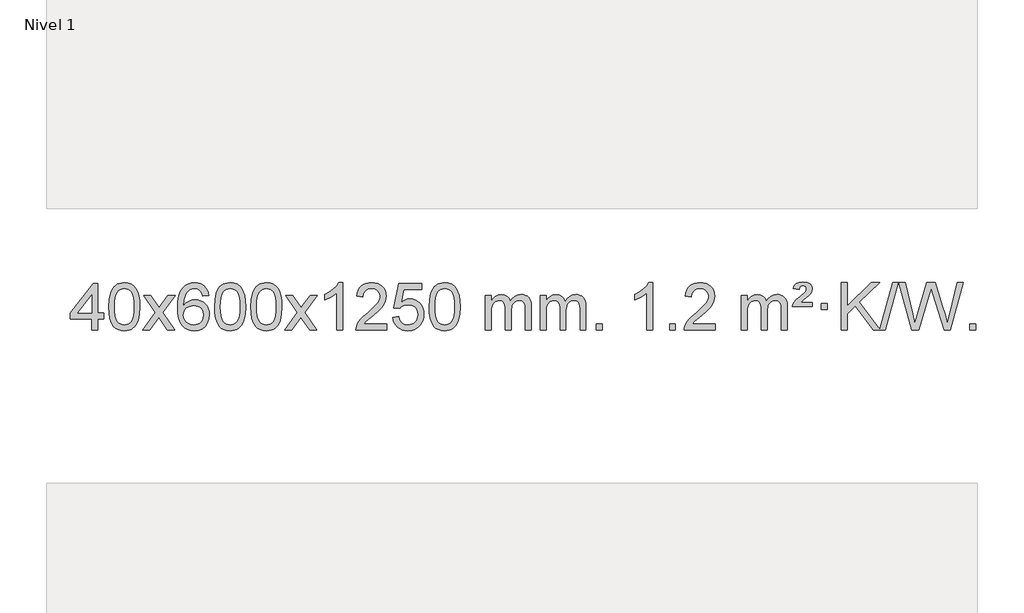
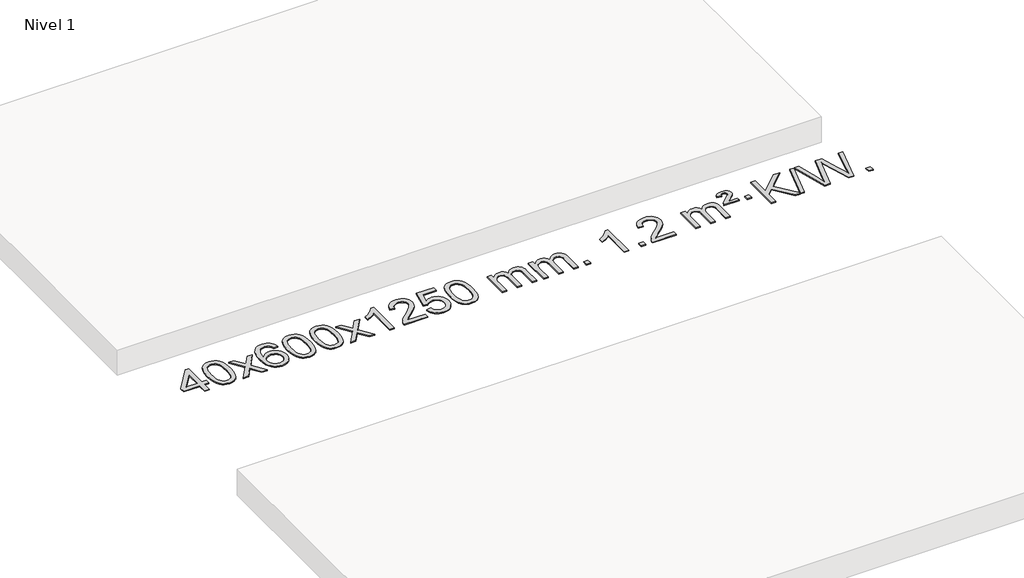
# One storey, part 3 of 3: 1 proxy.
"""IFC4 building model written with IfcOpenShell, lengths in millimetres."""

from ifc_helpers import new_model, si_unit, origin, origin_with_axes, place, context, project, spatial, polyline, outline, extrude, element, save

model = new_model("IFC4")

# Units and contexts
model_context = context("Model", 3, world=origin())
ifc_project = project(units=[si_unit("LENGTHUNIT", "METRE", prefix="MILLI")], contexts=[model_context])

# Site, building, storey
site = spatial("IfcSite", under=ifc_project)
building = spatial("IfcBuilding", under=site)
storey = spatial("IfcBuildingStorey", under=building, Name="Nivel 1", Elevation=0.0)

# Proxy
placement = place(None, origin())
element("IfcBuildingElementProxy", 1, Name="Texto de modelo 1", ObjectType="Texto de modelo 1", at=placement, inside=storey, context=model_context, shape_type="SweptSolid", body=[
    extrude(outline(polyline([(-19275.0912437, -6252.910521), (-19275.0912437, -6158.7327302), (-19457.1683058, -6158.7327302), (-19457.1683058, -6108.5045751), (-19262.5342049, -5857.3637998), (-19224.8630886, -5857.3637998), (-19224.8630886, -6108.5045751), (-19174.6349336, -6108.5045751), (-19174.6349336, -6158.7327302), (-19224.8630886, -6158.7327302), (-19224.8630886, -6252.910521), (-19275.0912437, -6252.910521)]), holes=[polyline([(-19275.0912437, -6108.5045751), (-19275.0912437, -5953.3074241), (-19395.3641307, -6108.5045751), (-19275.0912437, -6108.5045751)])]), origin_with_axes(), (0.0, 0.0, 1.0), 10.0),
    extrude(outline(polyline([(-19130.6852979, -6055.2352622), (-19126.9942152, -5990.9172267), (-19115.9209671, -5939.6222139), (-19097.5759183, -5900.5654087), (-19085.7178553, -5885.3320284), (-19072.0694333, -5872.9619963), (-19056.584667, -5863.3909331), (-19039.2175711, -5856.5544594), (-18998.8363908, -5851.0852804), (-18967.8852523, -5854.3226419), (-18940.1714753, -5864.0347266), (-18916.9949096, -5879.8413897), (-18899.6554049, -5901.3624864), (-18886.5588059, -5928.4140758), (-18876.1109572, -5960.8122168), (-18869.2683521, -6001.9536866), (-18866.9874837, -6055.2352622), (-18870.6417782, -6119.1854157), (-18881.6046617, -6170.3578012), (-18899.8393459, -6209.4513946), (-18911.6698177, -6224.7307601), (-18925.3090427, -6237.1651716), (-18940.8122031, -6246.8006142), (-18958.2344813, -6253.6830732), (-18998.8363908, -6259.1890403), (-19026.5011168, -6256.7978074), (-19051.0265832, -6249.6241085), (-19072.4127898, -6237.6679436), (-19090.6597368, -6220.9293129), (-19108.1709198, -6190.6710187), (-19120.6789076, -6152.9692456), (-19128.1837003, -6107.8239934), (-19130.6852979, -6055.2352622)]), holes=[polyline([(-19080.4571428, -6055.1371604), (-19078.9856148, -6098.8016875), (-19074.5710309, -6134.1459502), (-19067.213391, -6161.1699484), (-19056.9126951, -6179.8736822), (-19044.4537582, -6192.5993335), (-19030.6213952, -6201.6890845), (-19015.415606, -6207.1429351), (-18998.8363908, -6208.9608853), (-18982.2571755, -6207.1368037), (-18967.0513864, -6201.664559), (-18953.2190234, -6192.5441512), (-18940.7600865, -6179.7755803), (-18930.4593906, -6161.0411897), (-18923.1017507, -6134.0233229), (-18918.6871668, -6098.7219797), (-18917.2156388, -6055.1371604), (-18918.6381158, -6012.6283958), (-18922.905547, -5977.9064668), (-18930.0179322, -5950.9713734), (-18939.9752716, -5931.8231156), (-18952.225742, -5918.4751305), (-18966.2175205, -5908.9408555), (-18981.9506072, -5903.2202904), (-18999.425002, -5901.3134354), (-19015.9183781, -5902.9934299), (-19030.8666498, -5908.0334132), (-19044.2698172, -5916.4333854), (-19056.1278802, -5928.1933466), (-19066.7719326, -5949.0399929), (-19074.3748271, -5977.1461774), (-19078.9365639, -6012.5118998), (-19080.4571428, -6055.1371604)])]), origin_with_axes(), (0.0, 0.0, 1.0), 10.0),
    extrude(outline(polyline([(-18841.8734062, -6252.910521), (-18734.5499655, -6104.5805005), (-18835.5948868, -5957.8201099), (-18775.1641377, -5957.8201099), (-18726.4075106, -6028.453453), (-18703.6478779, -6061.8080872), (-18683.9294029, -6034.5357686), (-18628.4037471, -5957.8201099), (-18567.972998, -5957.8201099), (-18674.1192164, -6104.5805005), (-18571.8970727, -6252.910521), (-18632.3278217, -6252.910521), (-18693.8376913, -6163.7359253), (-18705.1194058, -6147.4510157), (-18781.4426571, -6252.910521), (-18841.8734062, -6252.910521)])), origin_with_axes(), (0.0, 0.0, 1.0), 10.0),
    extrude(outline(polyline([(-18283.085181, -5957.8201099), (-18333.313336, -5964.0986293), (-18341.4067399, -5939.2052809), (-18352.3450979, -5922.2091328), (-18375.1292562, -5906.5373598), (-18402.6713549, -5901.3134354), (-18426.0195988, -5904.3545933), (-18447.9944167, -5913.4780667), (-18466.866763, -5932.6937696), (-18482.2810186, -5959.1444851), (-18492.6920791, -5996.558084), (-18496.55484, -6048.6624372), (-18476.4071694, -6025.1547778), (-18452.2618478, -6008.5878252), (-18425.4677758, -5998.765376), (-18397.3738541, -5995.4912262), (-18373.2407953, -5997.729175), (-18350.9716718, -6004.4430214), (-18330.5664838, -6015.6327654), (-18312.0252313, -6031.2984071), (-18296.617107, -6050.5079786), (-18285.611304, -6072.3295123), (-18279.0078222, -6096.7630081), (-18276.8066616, -6123.8084661), (-18280.9514654, -6159.7750625), (-18293.3858768, -6193.117434), (-18313.0798263, -6221.3952967), (-18339.0032442, -6242.1683667), (-18369.9789082, -6254.9338719), (-18404.8295959, -6259.1890403), (-18434.7721246, -6256.3686117), (-18461.814517, -6247.9073258), (-18485.9567729, -6233.8051827), (-18507.1988924, -6214.0621823), (-18524.5169374, -6187.8444588), (-18536.8869694, -6154.3181463), (-18544.3089887, -6113.4832448), (-18546.7829951, -6065.3397544), (-18544.0361429, -6011.3653343), (-18535.7955862, -5965.3003771), (-18522.061325, -5927.1448829), (-18502.8333594, -5896.8988515), (-18481.9928444, -5876.8554141), (-18457.8291287, -5862.5386731), (-18430.3422123, -5853.9486286), (-18399.5320952, -5851.0852804), (-18376.398449, -5852.8572453), (-18355.4598322, -5858.1731401), (-18336.7162445, -5867.0329649), (-18320.1676861, -5879.4367195), (-18306.2617467, -5894.967471), (-18295.446016, -5913.2082866), (-18287.7204941, -5934.1591662), (-18283.085181, -5957.8201099)]), holes=[polyline([(-18496.55484, -6123.0236512), (-18493.6485723, -6145.2805119), (-18484.929769, -6166.5318285), (-18471.3917116, -6184.8033009), (-18454.0276814, -6198.1206291), (-18433.0706704, -6206.2508212), (-18408.7536705, -6208.9608853), (-18375.6075028, -6203.3445535), (-18361.6923663, -6196.3241387), (-18349.5491948, -6186.4955581), (-18339.6991543, -6174.2573504), (-18332.6634112, -6160.0080544), (-18327.0348167, -6125.4761978), (-18332.5898348, -6092.3300301), (-18339.5336074, -6078.7091992), (-18349.2548892, -6067.056537), (-18361.4348489, -6057.7215314), (-18375.7546556, -6051.0536702), (-18410.8138097, -6045.7193813), (-18443.9109265, -6051.0536702), (-18471.5879153, -6067.056537), (-18482.5109449, -6078.555915), (-18490.3131089, -6091.7168934), (-18494.9944072, -6106.5394721), (-18496.55484, -6123.0236512)])]), origin_with_axes(), (0.0, 0.0, 1.0), 10.0),
    extrude(outline(polyline([(-18232.8570259, -6055.2352622), (-18229.1659432, -5990.9172267), (-18218.0926952, -5939.6222139), (-18199.7476463, -5900.5654087), (-18187.8895834, -5885.3320284), (-18174.2411613, -5872.9619963), (-18158.756395, -5863.3909331), (-18141.3892992, -5856.5544594), (-18101.0081188, -5851.0852804), (-18070.0569803, -5854.3226419), (-18042.3432033, -5864.0347266), (-18019.1666376, -5879.8413897), (-18001.8271329, -5901.3624864), (-17988.7305339, -5928.4140758), (-17978.2826852, -5960.8122168), (-17971.4400801, -6001.9536866), (-17969.1592118, -6055.2352622), (-17972.8135062, -6119.1854157), (-17983.7763897, -6170.3578012), (-18002.0110739, -6209.4513946), (-18013.8415458, -6224.7307601), (-18027.4807707, -6237.1651716), (-18042.9839311, -6246.8006142), (-18060.4062093, -6253.6830732), (-18101.0081188, -6259.1890403), (-18128.6728449, -6256.7978074), (-18153.1983112, -6249.6241085), (-18174.5845179, -6237.6679436), (-18192.8314648, -6220.9293129), (-18210.3426478, -6190.6710187), (-18222.8506356, -6152.9692456), (-18230.3554283, -6107.8239934), (-18232.8570259, -6055.2352622)]), holes=[polyline([(-18182.6288708, -6055.1371604), (-18181.1573428, -6098.8016875), (-18176.7427589, -6134.1459502), (-18169.385119, -6161.1699484), (-18159.0844231, -6179.8736822), (-18146.6254862, -6192.5993335), (-18132.7931232, -6201.6890845), (-18117.5873341, -6207.1429351), (-18101.0081188, -6208.9608853), (-18084.4289036, -6207.1368037), (-18069.2231144, -6201.664559), (-18055.3907514, -6192.5441512), (-18042.9318145, -6179.7755803), (-18032.6311187, -6161.0411897), (-18025.2734788, -6134.0233229), (-18020.8588948, -6098.7219797), (-18019.3873668, -6055.1371604), (-18020.8098439, -6012.6283958), (-18025.077275, -5977.9064668), (-18032.1896603, -5950.9713734), (-18042.1469996, -5931.8231156), (-18054.39747, -5918.4751305), (-18068.3892486, -5908.9408555), (-18084.1223352, -5903.2202904), (-18101.59673, -5901.3134354), (-18118.0901061, -5902.9934299), (-18133.0383779, -5908.0334132), (-18146.4415452, -5916.4333854), (-18158.2996082, -5928.1933466), (-18168.9436606, -5949.0399929), (-18176.5465552, -5977.1461774), (-18181.1082919, -6012.5118998), (-18182.6288708, -6055.1371604)])]), origin_with_axes(), (0.0, 0.0, 1.0), 10.0),
    extrude(outline(polyline([(-17925.2095761, -6055.2352622), (-17921.5184934, -5990.9172267), (-17910.4452453, -5939.6222139), (-17892.1001965, -5900.5654087), (-17880.2421335, -5885.3320284), (-17866.5937115, -5872.9619963), (-17851.1089452, -5863.3909331), (-17833.7418493, -5856.5544594), (-17793.360669, -5851.0852804), (-17762.4095305, -5854.3226419), (-17734.6957535, -5864.0347266), (-17711.5191878, -5879.8413897), (-17694.1796831, -5901.3624864), (-17681.0830841, -5928.4140758), (-17670.6352354, -5960.8122168), (-17663.7926303, -6001.9536866), (-17661.5117619, -6055.2352622), (-17665.1660564, -6119.1854157), (-17676.1289399, -6170.3578012), (-17694.3636241, -6209.4513946), (-17706.1940959, -6224.7307601), (-17719.8333209, -6237.1651716), (-17735.3364813, -6246.8006142), (-17752.7587595, -6253.6830732), (-17793.360669, -6259.1890403), (-17821.025395, -6256.7978074), (-17845.5508614, -6249.6241085), (-17866.937068, -6237.6679436), (-17885.184015, -6220.9293129), (-17902.695198, -6190.6710187), (-17915.2031858, -6152.9692456), (-17922.7079785, -6107.8239934), (-17925.2095761, -6055.2352622)]), holes=[polyline([(-17874.981421, -6055.1371604), (-17873.509893, -6098.8016875), (-17869.0953091, -6134.1459502), (-17861.7376692, -6161.1699484), (-17851.4369733, -6179.8736822), (-17838.9780364, -6192.5993335), (-17825.1456734, -6201.6890845), (-17809.9398842, -6207.1429351), (-17793.360669, -6208.9608853), (-17776.7814537, -6207.1368037), (-17761.5756646, -6201.664559), (-17747.7433016, -6192.5441512), (-17735.2843647, -6179.7755803), (-17724.9836688, -6161.0411897), (-17717.6260289, -6134.0233229), (-17713.211445, -6098.7219797), (-17711.739917, -6055.1371604), (-17713.162394, -6012.6283958), (-17717.4298252, -5977.9064668), (-17724.5422104, -5950.9713734), (-17734.4995498, -5931.8231156), (-17746.7500202, -5918.4751305), (-17760.7417988, -5908.9408555), (-17776.4748854, -5903.2202904), (-17793.9492802, -5901.3134354), (-17810.4426563, -5902.9934299), (-17825.390928, -5908.0334132), (-17838.7940954, -5916.4333854), (-17850.6521584, -5928.1933466), (-17861.2962108, -5949.0399929), (-17868.8991053, -5977.1461774), (-17873.4608421, -6012.5118998), (-17874.981421, -6055.1371604)])]), origin_with_axes(), (0.0, 0.0, 1.0), 10.0),
    extrude(outline(polyline([(-17636.3976844, -6252.910521), (-17529.0742437, -6104.5805005), (-17630.119165, -5957.8201099), (-17569.6884159, -5957.8201099), (-17520.9317888, -6028.453453), (-17498.1721561, -6061.8080872), (-17478.4536811, -6034.5357686), (-17422.9280253, -5957.8201099), (-17362.4972762, -5957.8201099), (-17468.6434946, -6104.5805005), (-17366.4213509, -6252.910521), (-17426.8520999, -6252.910521), (-17488.3619695, -6163.7359253), (-17499.643684, -6147.4510157), (-17575.9669353, -6252.910521), (-17636.3976844, -6252.910521)])), origin_with_axes(), (0.0, 0.0, 1.0), 10.0),
    extrude(outline(polyline([(-17146.6731724, -6252.910521), (-17196.9013275, -6252.910521), (-17196.9013275, -5939.7693667), (-17217.8706012, -5956.7287266), (-17244.4807322, -5973.6635612), (-17297.3576376, -5999.0228934), (-17297.3576376, -5951.5415905), (-17257.908425, -5930.0818075), (-17223.7321877, -5904.550797), (-17196.7909629, -5877.4011058), (-17179.046788, -5851.0852804), (-17146.6731724, -5851.0852804), (-17146.6731724, -6252.910521)])), origin_with_axes(), (0.0, 0.0, 1.0), 10.0),
    extrude(outline(polyline([(-16769.9620093, -6202.6823659), (-16769.9620093, -6252.910521), (-17033.6598235, -6252.910521), (-17032.5561775, -6235.2276597), (-17028.2642209, -6218.2805625), (-17015.8788604, -6191.2167104), (-16997.7545408, -6164.9621987), (-16971.5368172, -6137.4814136), (-16934.871245, -6106.7387415), (-16880.6699644, -6058.5952511), (-16848.1491961, -6023.0578504), (-16831.8888119, -5994.215902), (-16826.4686838, -5966.1587685), (-16831.5822435, -5941.0079027), (-16846.9229227, -5920.0999427), (-16870.5041586, -5906.0100622), (-16900.3393884, -5901.3134354), (-16931.6706717, -5905.8996976), (-16956.012197, -5919.6584843), (-16971.7207582, -5941.5106748), (-16977.153149, -5970.3771487), (-17027.3813041, -5964.0986293), (-17023.0617563, -5938.16908), (-17015.2044101, -5915.5136805), (-17003.8092653, -5896.1324307), (-16988.8763219, -5880.0253307), (-16970.7489366, -5867.3640587), (-16949.7704659, -5858.3202929), (-16925.9409096, -5852.8940335), (-16899.2602679, -5851.0852804), (-16872.3405029, -5853.0963686), (-16848.382188, -5859.1296333), (-16827.3853231, -5869.1850745), (-16809.3499083, -5883.2626922), (-16794.8645547, -5900.3201541), (-16784.5178736, -5919.3151277), (-16778.309865, -5940.2476133), (-16776.2405287, -5963.1176106), (-16778.4723462, -5987.1403049), (-16785.1677985, -6010.7460663), (-16797.0503869, -6034.7564978), (-16814.8436128, -6059.9932027), (-16843.2073146, -6090.1227381), (-16886.801331, -6128.8116613), (-16944.5833297, -6177.12683), (-16967.2448606, -6202.6823659), (-16769.9620093, -6202.6823659)])), origin_with_axes(), (0.0, 0.0, 1.0), 10.0),
    extrude(outline(polyline([(-16719.7338543, -6146.1756914), (-16669.5056992, -6139.897172), (-16660.2841238, -6170.0512329), (-16644.1954179, -6191.645906), (-16621.3131578, -6204.6321405), (-16591.7109199, -6208.9608853), (-16572.5810562, -6207.4556348), (-16555.7075354, -6202.9398833), (-16541.0903574, -6195.4136308), (-16528.7295224, -6184.8768773), (-16518.9009417, -6171.850789), (-16511.880527, -6156.856532), (-16506.2641952, -6120.963512), (-16511.5249077, -6087.1674194), (-16518.1007984, -6073.2492173), (-16527.3070453, -6061.3175779), (-16539.1743054, -6051.7465146), (-16553.7332353, -6044.9100409), (-16590.926105, -6039.4408619), (-16615.2921558, -6041.6236284), (-16635.0228935, -6048.1719279), (-16650.7805056, -6058.2028437), (-16663.2271798, -6070.8334588), (-16713.4553349, -6064.5549394), (-16669.5056992, -5857.3637998), (-16474.8715983, -5857.3637998), (-16474.8715983, -5907.5919548), (-16628.8915269, -5907.5919548), (-16650.3758354, -6018.250859), (-16632.6500546, -6005.5466674), (-16614.4950782, -5996.4722449), (-16595.9109061, -5991.0275913), (-16576.8975383, -5989.2127068), (-16552.4364513, -5991.4629184), (-16529.9680584, -5998.213553), (-16509.4923597, -6009.4646107), (-16491.0093551, -6025.2160914), (-16475.7085298, -6044.5053707), (-16464.7793689, -6066.3698239), (-16458.2218723, -6090.8094512), (-16456.0360401, -6117.8242523), (-16458.0042088, -6143.8457721), (-16463.9087148, -6168.0524074), (-16473.7495582, -6190.4441582), (-16487.5267389, -6211.0210244), (-16508.3979108, -6232.0945314), (-16532.7516989, -6247.1470364), (-16560.5881032, -6256.1785394), (-16591.9071237, -6259.1890403), (-16617.8274759, -6257.2545942), (-16641.2400992, -6251.4512557), (-16662.1449936, -6241.7790249), (-16680.5421591, -6228.2379018), (-16695.8491157, -6211.5023367), (-16707.4833838, -6192.24678), (-16715.4449633, -6170.4712315), (-16719.7338543, -6146.1756914)])), origin_with_axes(), (0.0, 0.0, 1.0), 10.0),
    extrude(outline(polyline([(-16412.0864044, -6055.2352622), (-16408.3953218, -5990.9172267), (-16397.3220737, -5939.6222139), (-16378.9770249, -5900.5654087), (-16367.1189619, -5885.3320284), (-16353.4705399, -5872.9619963), (-16337.9857736, -5863.3909331), (-16320.6186777, -5856.5544594), (-16280.2374974, -5851.0852804), (-16249.2863588, -5854.3226419), (-16221.5725819, -5864.0347266), (-16198.3960162, -5879.8413897), (-16181.0565115, -5901.3624864), (-16167.9599124, -5928.4140758), (-16157.5120638, -5960.8122168), (-16150.6694587, -6001.9536866), (-16148.3885903, -6055.2352622), (-16152.0428848, -6119.1854157), (-16163.0057682, -6170.3578012), (-16181.2404525, -6209.4513946), (-16193.0709243, -6224.7307601), (-16206.7101493, -6237.1651716), (-16222.2133097, -6246.8006142), (-16239.6355878, -6253.6830732), (-16280.2374974, -6259.1890403), (-16307.9022234, -6256.7978074), (-16332.4276897, -6249.6241085), (-16353.8138964, -6237.6679436), (-16372.0608434, -6220.9293129), (-16389.5720263, -6190.6710187), (-16402.0800142, -6152.9692456), (-16409.5848069, -6107.8239934), (-16412.0864044, -6055.2352622)]), holes=[polyline([(-16361.8582494, -6055.1371604), (-16360.3867214, -6098.8016875), (-16355.9721374, -6134.1459502), (-16348.6144975, -6161.1699484), (-16338.3138017, -6179.8736822), (-16325.8548648, -6192.5993335), (-16312.0225017, -6201.6890845), (-16296.8167126, -6207.1429351), (-16280.2374974, -6208.9608853), (-16263.6582821, -6207.1368037), (-16248.452493, -6201.664559), (-16234.62013, -6192.5441512), (-16222.1611931, -6179.7755803), (-16211.8604972, -6161.0411897), (-16204.5028573, -6134.0233229), (-16200.0882733, -6098.7219797), (-16198.6167454, -6055.1371604), (-16200.0392224, -6012.6283958), (-16204.3066536, -5977.9064668), (-16211.4190388, -5950.9713734), (-16221.3763781, -5931.8231156), (-16233.6268486, -5918.4751305), (-16247.6186271, -5908.9408555), (-16263.3517138, -5903.2202904), (-16280.8261086, -5901.3134354), (-16297.3194847, -5902.9934299), (-16312.2677564, -5908.0334132), (-16325.6709238, -5916.4333854), (-16337.5289867, -5928.1933466), (-16348.1730391, -5949.0399929), (-16355.7759337, -5977.1461774), (-16360.3376704, -6012.5118998), (-16361.8582494, -6055.1371604)])]), origin_with_axes(), (0.0, 0.0, 1.0), 10.0),
    extrude(outline(polyline([(-15934.9189312, -6252.910521), (-15934.9189312, -5957.8201099), (-15884.6907762, -5957.8201099), (-15884.6907762, -6006.3805333), (-15869.5830889, -5984.0746216), (-15850.1589195, -5966.6002269), (-15827.0804557, -5955.3062496), (-15801.009885, -5951.5415905), (-15773.0753788, -5955.379826), (-15750.683628, -5966.8945324), (-15733.95726, -5985.3254204), (-15723.018902, -6009.9122004), (-15704.7106414, -5984.3750586), (-15683.8272068, -5966.134243), (-15660.3685982, -5955.1897536), (-15634.3348157, -5951.5415905), (-15614.226999, -5953.0591037), (-15596.5778603, -5957.6116434), (-15581.3873995, -5965.1992096), (-15568.6556168, -5975.8218022), (-15558.5909786, -5989.6020486), (-15551.4019513, -6006.6625761), (-15547.0885349, -6027.0033848), (-15545.6507294, -6050.6244745), (-15545.6507294, -6252.910521), (-15595.8788845, -6252.910521), (-15595.8788845, -6072.2068849), (-15597.0438441, -6047.1541211), (-15600.5387231, -6030.2683375), (-15607.0870226, -6018.7045801), (-15617.4122439, -6009.6178948), (-15630.6927839, -6003.7317829), (-15646.1070395, -6001.7697456), (-15673.3180445, -6006.7974662), (-15695.5013288, -6021.880628), (-15704.1067018, -6033.4505167), (-15710.2533968, -6048.0493006), (-15715.1707528, -6086.3335535), (-15715.1707528, -6252.910521), (-15765.3989078, -6252.910521), (-15765.3989078, -6066.6150786), (-15768.3051756, -6038.2145886), (-15777.0239789, -6017.9565534), (-15792.3646581, -6005.8164475), (-15815.1365536, -6001.7697456), (-15834.4871465, -6004.4675469), (-15852.3171606, -6012.5609508), (-15867.0324404, -6025.8537535), (-15877.0388307, -6044.1497514), (-15882.7777898, -6069.5336091), (-15884.6907762, -6104.0899912), (-15884.6907762, -6252.910521), (-15934.9189312, -6252.910521)])), origin_with_axes(), (0.0, 0.0, 1.0), 10.0),
    extrude(outline(polyline([(-15470.3084968, -6252.910521), (-15470.3084968, -5957.8201099), (-15420.0803417, -5957.8201099), (-15420.0803417, -6006.3805333), (-15404.9726544, -5984.0746216), (-15385.5484851, -5966.6002269), (-15362.4700213, -5955.3062496), (-15336.3994505, -5951.5415905), (-15308.4649444, -5955.379826), (-15286.0731936, -5966.8945324), (-15269.3468256, -5985.3254204), (-15258.4084676, -6009.9122004), (-15240.1002069, -5984.3750586), (-15219.2167723, -5966.134243), (-15195.7581638, -5955.1897536), (-15169.7243813, -5951.5415905), (-15149.6165645, -5953.0591037), (-15131.9674258, -5957.6116434), (-15116.7769651, -5965.1992096), (-15104.0451824, -5975.8218022), (-15093.9805441, -5989.6020486), (-15086.7915168, -6006.6625761), (-15082.4781004, -6027.0033848), (-15081.040295, -6050.6244745), (-15081.040295, -6252.910521), (-15131.26845, -6252.910521), (-15131.26845, -6072.2068849), (-15132.4334097, -6047.1541211), (-15135.9282886, -6030.2683375), (-15142.4765881, -6018.7045801), (-15152.8018095, -6009.6178948), (-15166.0823495, -6003.7317829), (-15181.4966051, -6001.7697456), (-15208.70761, -6006.7974662), (-15230.8908943, -6021.880628), (-15239.4962673, -6033.4505167), (-15245.6429623, -6048.0493006), (-15250.5603183, -6086.3335535), (-15250.5603183, -6252.910521), (-15300.7884734, -6252.910521), (-15300.7884734, -6066.6150786), (-15303.6947412, -6038.2145886), (-15312.4135445, -6017.9565534), (-15327.7542237, -6005.8164475), (-15350.5261192, -6001.7697456), (-15369.8767121, -6004.4675469), (-15387.7067261, -6012.5609508), (-15402.4220059, -6025.8537535), (-15412.4283962, -6044.1497514), (-15418.1673553, -6069.5336091), (-15420.0803417, -6104.0899912), (-15420.0803417, -6252.910521), (-15470.3084968, -6252.910521)])), origin_with_axes(), (0.0, 0.0, 1.0), 10.0),
    extrude(outline(polyline([(-14993.1410236, -6252.910521), (-14993.1410236, -6202.6823659), (-14942.9128685, -6202.6823659), (-14942.9128685, -6252.910521), (-14993.1410236, -6252.910521)])), origin_with_axes(), (0.0, 0.0, 1.0), 10.0),
    extrude(outline(polyline([(-14515.9735504, -6252.910521), (-14566.2017054, -6252.910521), (-14566.2017054, -5939.7693667), (-14587.1709792, -5956.7287266), (-14613.7811101, -5973.6635612), (-14666.6580156, -5999.0228934), (-14666.6580156, -5951.5415905), (-14627.208803, -5930.0818075), (-14593.0325656, -5904.550797), (-14566.0913408, -5877.4011058), (-14548.3471659, -5851.0852804), (-14515.9735504, -5851.0852804), (-14515.9735504, -6252.910521)])), origin_with_axes(), (0.0, 0.0, 1.0), 10.0),
    extrude(outline(polyline([(-14371.5676045, -6252.910521), (-14371.5676045, -6202.6823659), (-14321.3394494, -6202.6823659), (-14321.3394494, -6252.910521), (-14371.5676045, -6252.910521)])), origin_with_axes(), (0.0, 0.0, 1.0), 10.0),
    extrude(outline(polyline([(-13982.2994027, -6202.6823659), (-13982.2994027, -6252.910521), (-14245.9972168, -6252.910521), (-14244.8935708, -6235.2276597), (-14240.6016142, -6218.2805625), (-14228.2162537, -6191.2167104), (-14210.0919341, -6164.9621987), (-14183.8742106, -6137.4814136), (-14147.2086384, -6106.7387415), (-14093.0073578, -6058.5952511), (-14060.4865894, -6023.0578504), (-14044.2262052, -5994.215902), (-14038.8060772, -5966.1587685), (-14043.9196369, -5941.0079027), (-14059.2603161, -5920.0999427), (-14082.841552, -5906.0100622), (-14112.6767818, -5901.3134354), (-14144.008065, -5905.8996976), (-14168.3495904, -5919.6584843), (-14184.0581516, -5941.5106748), (-14189.4905424, -5970.3771487), (-14239.7186975, -5964.0986293), (-14235.3991497, -5938.16908), (-14227.5418034, -5915.5136805), (-14216.1466586, -5896.1324307), (-14201.2137153, -5880.0253307), (-14183.08633, -5867.3640587), (-14162.1078592, -5858.3202929), (-14138.278303, -5852.8940335), (-14111.5976613, -5851.0852804), (-14084.6778963, -5853.0963686), (-14060.7195813, -5859.1296333), (-14039.7227165, -5869.1850745), (-14021.6873016, -5883.2626922), (-14007.2019481, -5900.3201541), (-13996.855267, -5919.3151277), (-13990.6472583, -5940.2476133), (-13988.5779221, -5963.1176106), (-13990.8097395, -5987.1403049), (-13997.5051918, -6010.7460663), (-14009.3877803, -6034.7564978), (-14027.1810061, -6059.9932027), (-14055.5447079, -6090.1227381), (-14099.1387244, -6128.8116613), (-14156.9207231, -6177.12683), (-14179.582254, -6202.6823659), (-13982.2994027, -6202.6823659)])), origin_with_axes(), (0.0, 0.0, 1.0), 10.0),
    extrude(outline(polyline([(-13762.5512242, -6252.910521), (-13762.5512242, -5957.8201099), (-13712.3230692, -5957.8201099), (-13712.3230692, -6006.3805333), (-13697.2153819, -5984.0746216), (-13677.7912126, -5966.6002269), (-13654.7127487, -5955.3062496), (-13628.642178, -5951.5415905), (-13600.7076718, -5955.379826), (-13578.3159211, -5966.8945324), (-13561.589553, -5985.3254204), (-13550.651195, -6009.9122004), (-13532.3429344, -5984.3750586), (-13511.4594998, -5966.134243), (-13488.0008912, -5955.1897536), (-13461.9671087, -5951.5415905), (-13441.859292, -5953.0591037), (-13424.2101533, -5957.6116434), (-13409.0196926, -5965.1992096), (-13396.2879098, -5975.8218022), (-13386.2232716, -5989.6020486), (-13379.0342443, -6006.6625761), (-13374.7208279, -6027.0033848), (-13373.2830224, -6050.6244745), (-13373.2830224, -6252.910521), (-13423.5111775, -6252.910521), (-13423.5111775, -6072.2068849), (-13424.6761371, -6047.1541211), (-13428.1710161, -6030.2683375), (-13434.7193156, -6018.7045801), (-13445.0445369, -6009.6178948), (-13458.325077, -6003.7317829), (-13473.7393326, -6001.7697456), (-13500.9503375, -6006.7974662), (-13523.1336218, -6021.880628), (-13531.7389948, -6033.4505167), (-13537.8856898, -6048.0493006), (-13542.8030458, -6086.3335535), (-13542.8030458, -6252.910521), (-13593.0312009, -6252.910521), (-13593.0312009, -6066.6150786), (-13595.9374686, -6038.2145886), (-13604.6562719, -6017.9565534), (-13619.9969511, -6005.8164475), (-13642.7688466, -6001.7697456), (-13662.1194396, -6004.4675469), (-13679.9494536, -6012.5609508), (-13694.6647334, -6025.8537535), (-13704.6711237, -6044.1497514), (-13710.4100828, -6069.5336091), (-13712.3230692, -6104.0899912), (-13712.3230692, -6252.910521), (-13762.5512242, -6252.910521)])), origin_with_axes(), (0.0, 0.0, 1.0), 10.0),
    extrude(outline(polyline([(-13329.3333867, -6051.9979007), (-13325.507414, -6036.1789749), (-13317.1687554, -6020.3109981), (-13295.6599214, -5995.1723951), (-13263.7032388, -5967.4340927), (-13219.5573994, -5930.057282), (-13212.4204887, -5918.5303128), (-13210.0415184, -5906.709038), (-13211.9299793, -5894.6179831), (-13217.5953621, -5884.8323221), (-13226.9640902, -5878.3575989), (-13239.9625874, -5876.1993579), (-13252.3969988, -5877.8180387), (-13261.2506921, -5882.674081), (-13267.6763643, -5892.140911), (-13272.8267123, -5907.5919548), (-13323.0548673, -5901.3134354), (-13312.2146112, -5876.101256), (-13295.586345, -5858.5410221), (-13271.8211681, -5848.2403263), (-13239.5701799, -5844.806761), (-13203.7875245, -5848.9393021), (-13179.041329, -5861.3369253), (-13164.6203547, -5879.6697114), (-13159.8133633, -5901.607741), (-13163.9091162, -5924.5145266), (-13176.1963749, -5946.1459879), (-13196.7241902, -5965.9625647), (-13233.1935586, -5994.0196982), (-13258.7981455, -6020.6053037), (-13159.8133633, -6020.6053037), (-13159.8133633, -6051.9979007), (-13329.3333867, -6051.9979007)])), origin_with_axes(), (0.0, 0.0, 1.0), 10.0),
    extrude(outline(polyline([(-13084.4711307, -6077.1119782), (-13084.4711307, -6026.8838231), (-13034.2429757, -6026.8838231), (-13034.2429757, -6077.1119782), (-13084.4711307, -6077.1119782)])), origin_with_axes(), (0.0, 0.0, 1.0), 10.0),
    extrude(outline(polyline([(-12643.6013477, -6252.910521), (-12797.0326652, -6050.2320671), (-12864.7229523, -6114.7830945), (-12864.7229523, -6252.910521), (-12914.9511074, -6252.910521), (-12914.9511074, -5851.0852804), (-12864.7229523, -5851.0852804), (-12864.7229523, -6047.7795205), (-12658.709035, -5851.0852804), (-12588.4680994, -5851.0852804), (-12761.421688, -6016.2888217), (-12586.7680782, -6246.8660012), (-12475.4547504, -5851.0852804), (-12430.1316886, -5851.0852804), (-12543.1450376, -6252.910521), (-12582.18958, -6252.910521), (-12588.4680994, -6252.910521), (-12643.6013477, -6252.910521)])), origin_with_axes(), (0.0, 0.0, 1.0), 10.0),
    extrude(outline(polyline([(-12315.6468117, -6252.910521), (-12425.2265954, -5851.0852804), (-12373.4288105, -5851.0852804), (-12309.8588017, -6115.175502), (-12290.2384286, -6196.6981521), (-12269.2446294, -6124.593281), (-12189.5859147, -5851.0852804), (-12114.9303952, -5851.0852804), (-12057.0502946, -6049.3491503), (-12032.2550481, -6122.9255493), (-12013.9835757, -6196.6981521), (-11994.9518138, -6117.5299467), (-11930.7931939, -5851.0852804), (-11878.9954089, -5851.0852804), (-11988.6732944, -6252.910521), (-12042.3350148, -6252.910521), (-12138.6710466, -5942.9086264), (-12152.1110022, -5899.6457037), (-12167.2186894, -5951.7377942), (-12255.0198589, -6252.910521), (-12315.6468117, -6252.910521)])), origin_with_axes(), (0.0, 0.0, 1.0), 10.0),
    extrude(outline(polyline([(-11822.4887345, -6252.910521), (-11822.4887345, -6202.6823659), (-11772.2605794, -6202.6823659), (-11772.2605794, -6252.910521), (-11822.4887345, -6252.910521)])), origin_with_axes(), (0.0, 0.0, 1.0), 10.0),
])

save(model, "model.ifc")
